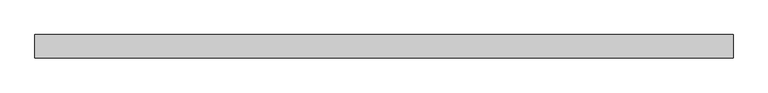
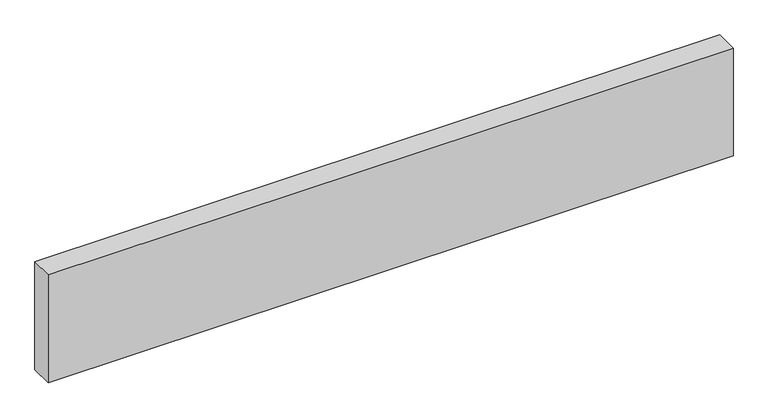
"""IFC4 building model written with IfcOpenShell, lengths in millimetres: proxy geometry."""

from ifc_helpers import new_model, si_unit, origin, origin_with_axes, place, context, project, spatial, polyline, outline, extrude, source, transform, mapped, element, save


def generic_models_8f5d4572(model_context):
    return source(origin(), model_context, "Body", "SweptSolid", [
        extrude(outline(polyline([(0.0, -100.0), (-3000.0, -100.0), (-3000.0, 0.0), (0.0, 0.0), (0.0, -100.0)])), origin_with_axes(), (0.0, 0.0, 1.0), 500.0),
    ])


if __name__ == "__main__":
    model = new_model("IFC4")
    model_context = context("Model", 3, world=origin())
    ifc_project = project(units=[si_unit("LENGTHUNIT", "METRE", prefix="MILLI")], contexts=[model_context])
    site = spatial("IfcSite", under=ifc_project)
    building = spatial("IfcBuilding", under=site)
    placement = place(None, origin())
    generic_models_shape = generic_models_8f5d4572(model_context)
    element("IfcBuildingElementProxy", 1, Name="Generic Models", at=placement, inside=building, context=model_context, shape_type="MappedRepresentation", body=[
        mapped(generic_models_shape, transform((0.0, 0.0, 0.0), x_axis=(1.0, 0.0, 0.0), y_axis=(0.0, 1.0, 0.0), z_axis=(0.0, 0.0, 1.0))),
    ])
    save(model, "model.ifc")
